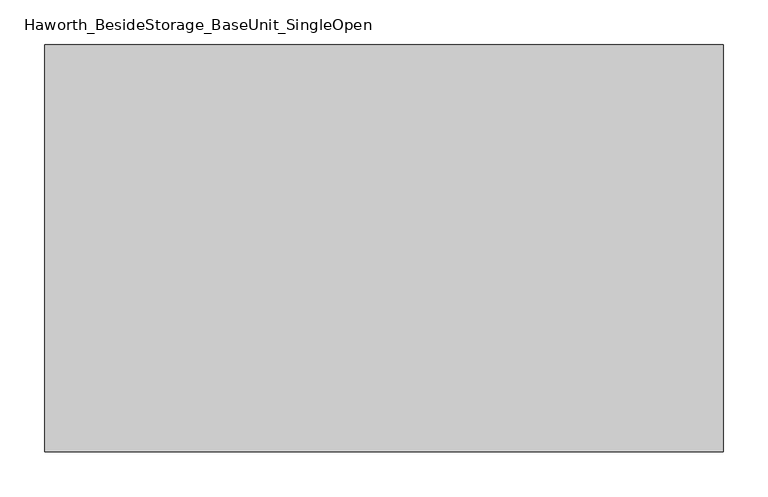
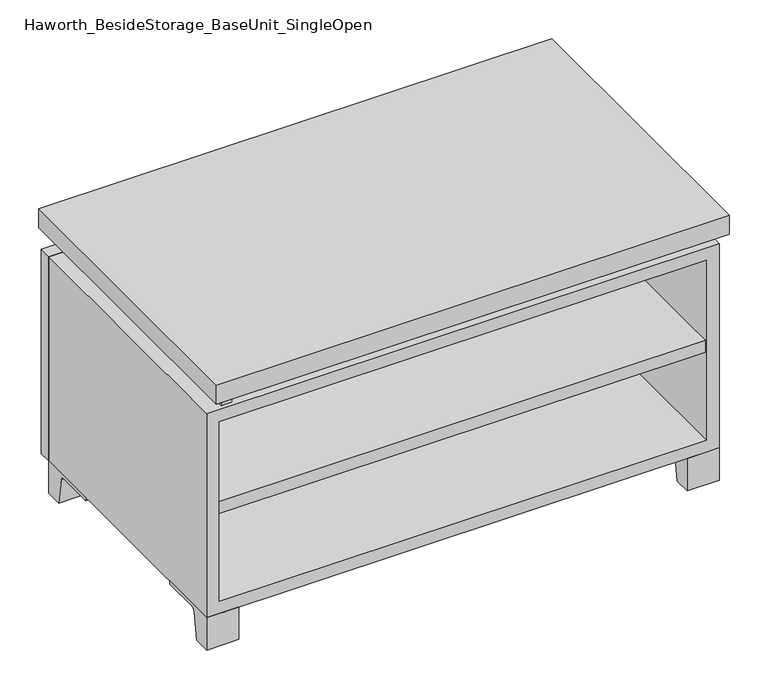
"""IFC4 building model written with IfcOpenShell, lengths in millimetres: furniture geometry, Haworth_BesideStorage_BaseUnit_SingleOpen."""

from ifc_helpers import new_model, si_unit, point, frame, frame_2d, origin, place, context, project, spatial, polyline, circle_curve, trimmed, segment, composite_curve, outline, extrude, source, transform, mapped, element, save


def haworth_besidestorage_baseunit_singleopen_58580759(model_context):
    return source(origin(), model_context, "Body", "SweptSolid", [
        extrude(outline(polyline([(361.9638906, 222.25), (361.9638906, -136.525), (-361.9361094, -136.525), (-361.9361094, 222.25), (361.9638906, 222.25)])), frame((0.0, 0.0, 205.58125), z_axis=(0.0, 0.0, 1.0), x_axis=(1.0, 0.0, 0.0)), (0.0, 0.0, 1.0), 19.05),
        extrude(outline(polyline([(381.0138906, 292.1), (381.0138906, -165.1), (-380.9861094, -165.1), (-380.9861094, 292.1), (381.0138906, 292.1)])), frame((0.0, 0.0, 401.6375), z_axis=(0.0, 0.0, 1.0), x_axis=(1.0, 0.0, 0.0)), (0.0, 0.0, 1.0), 30.1625),
        extrude(outline(composite_curve([segment(polyline([(-114.3000136, 0.0), (-139.7, 0.0), (-139.7, 50.8), (-44.45, 50.8), (-44.45, 46.0213321), (-101.2505345, 46.0213321)]), True, "CONTINUOUS"), segment(trimmed(circle_curve(frame_2d((-101.2505345, 39.6713321)), 6.35), [point((-101.2505345, 46.0213321))], [point((-107.5141359, 40.7152656))], True, "CARTESIAN"), True, "CONTINUOUS"), segment(polyline([(-107.5141359, 40.7152656), (-114.3000136, 0.0)]), True, "CONTINUOUS")], self_intersect=False)), frame((333.3888906, 0.0, 0.0), z_axis=(1.0, 0.0, 0.0), x_axis=(0.0, 1.0, 0.0)), (0.0, 0.0, 1.0), 47.625),
        extrude(outline(composite_curve([segment(polyline([(241.3000136, 0.0), (234.5141359, 40.7152656)]), True, "CONTINUOUS"), segment(trimmed(circle_curve(frame_2d((228.2505345, 39.6713321)), 6.35), [point((234.5141359, 40.7152656))], [point((228.2505345, 46.0213321))], True, "CARTESIAN"), True, "CONTINUOUS"), segment(polyline([(228.2505345, 46.0213321), (171.45, 46.0213321), (171.45, 50.8), (266.7, 50.8), (266.7, 0.0), (241.3000136, 0.0)]), True, "CONTINUOUS")], self_intersect=False)), frame((333.3888906, 0.0, 0.0), z_axis=(1.0, 0.0, 0.0), x_axis=(0.0, 1.0, 0.0)), (0.0, 0.0, 1.0), 47.625),
        extrude(outline(composite_curve([segment(polyline([(-114.3000136, 0.0), (-139.7, 0.0), (-139.7, 50.8), (-44.45, 50.8), (-44.45, 46.0213321), (-101.2505345, 46.0213321)]), True, "CONTINUOUS"), segment(trimmed(circle_curve(frame_2d((-101.2505345, 39.6713321)), 6.35), [point((-101.2505345, 46.0213321))], [point((-107.5141359, 40.7152656))], True, "CARTESIAN"), True, "CONTINUOUS"), segment(polyline([(-107.5141359, 40.7152656), (-114.3000136, 0.0)]), True, "CONTINUOUS")], self_intersect=False)), frame((-380.9861094, 0.0, 0.0), z_axis=(1.0, 0.0, 0.0), x_axis=(0.0, 1.0, 0.0)), (0.0, 0.0, 1.0), 47.625),
        extrude(outline(composite_curve([segment(polyline([(241.3000136, 0.0), (234.5141359, 40.7152656)]), True, "CONTINUOUS"), segment(trimmed(circle_curve(frame_2d((228.2505345, 39.6713321)), 6.35), [point((234.5141359, 40.7152656))], [point((228.2505345, 46.0213321))], True, "CARTESIAN"), True, "CONTINUOUS"), segment(polyline([(228.2505345, 46.0213321), (171.45, 46.0213321), (171.45, 50.8), (266.7, 50.8), (266.7, 0.0), (241.3000136, 0.0)]), True, "CONTINUOUS")], self_intersect=False)), frame((-380.9861094, 0.0, 0.0), z_axis=(1.0, 0.0, 0.0), x_axis=(0.0, 1.0, 0.0)), (0.0, 0.0, 1.0), 47.625),
        extrude(outline(polyline([(-355.5791641, -133.35), (-355.5791641, 234.95), (-339.7041641, 234.95), (-339.7041641, 73.025), (339.7111094, 73.025), (339.7111094, 247.65), (355.5861094, 247.65), (355.5861094, -120.65), (339.7111094, -120.65), (339.7111094, 53.975), (-339.7041641, 53.975), (-339.7041641, -133.35), (-355.5791641, -133.35)])), frame((0.0, 0.0, 371.475), z_axis=(0.0, 0.0, 1.0), x_axis=(1.0, 0.0, 0.0)), (0.0, 0.0, 1.0), 30.1625),
        extrude(outline(polyline([(381.0138906, 266.7), (-380.9861094, 266.7), (-380.9861094, 285.75), (381.0138906, 285.75), (381.0138906, 266.7)])), frame((0.0, 0.0, 50.8), z_axis=(0.0, 0.0, 1.0), x_axis=(1.0, 0.0, 0.0)), (0.0, 0.0, 1.0), 320.675),
        extrude(outline(polyline([(50.8, -380.9861094), (50.8, 381.0138906), (371.475, 381.0138906), (371.475, -380.9861094), (50.8, -380.9861094)]), holes=[polyline([(69.85, -361.9361094), (352.425, -361.9361094), (352.425, 361.9569453), (69.85, 361.9569453), (69.85, -361.9361094)])]), frame((0.0, -139.7, 0.0), z_axis=(0.0, 1.0, 0.0), x_axis=(0.0, 0.0, 1.0)), (0.0, 0.0, 1.0), 406.4),
        extrude(outline(polyline([(-361.9291641, 234.95), (-361.9291641, 241.3), (361.9569453, 241.3), (361.9569453, 234.95), (-361.9291641, 234.95)])), frame((0.0, 0.0, 69.85), z_axis=(0.0, 0.0, 1.0), x_axis=(1.0, 0.0, 0.0)), (0.0, 0.0, 1.0), 282.575),
    ])


if __name__ == "__main__":
    model = new_model("IFC4")
    model_context = context("Model", 3, world=origin())
    ifc_project = project(units=[si_unit("LENGTHUNIT", "METRE", prefix="MILLI")], contexts=[model_context])
    site = spatial("IfcSite", under=ifc_project)
    building = spatial("IfcBuilding", under=site)
    placement = place(None, origin())
    haworth_besidestorage_baseunit_singleopen_shape = haworth_besidestorage_baseunit_singleopen_58580759(model_context)
    element("IfcFurniture", 1, ObjectType="Haworth_BesideStorage_BaseUnit_SingleOpen", at=placement, inside=building, context=model_context, shape_type="MappedRepresentation", body=[
        mapped(haworth_besidestorage_baseunit_singleopen_shape, transform((0.0, 0.0, 0.0), x_axis=(1.0, 0.0, 0.0), y_axis=(0.0, 1.0, 0.0), z_axis=(0.0, 0.0, 1.0))),
    ])
    save(model, "model.ifc")
